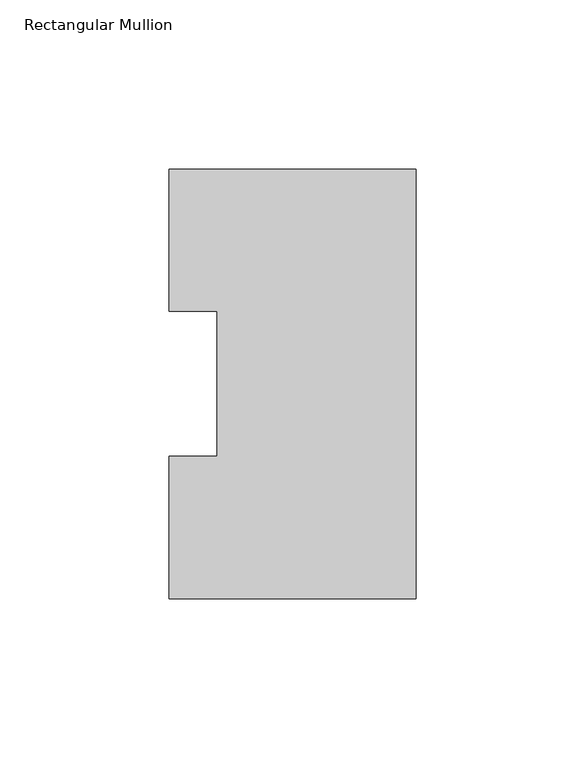
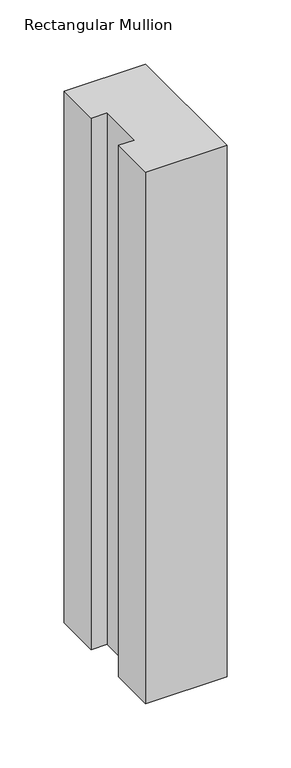
"""IFC4 building model written with IfcOpenShell, lengths in millimetres: member geometry, Rectangular Mullion."""

from ifc_helpers import new_model, si_unit, frame, origin, place, context, project, spatial, polyline, outline, extrude, source, transform, mapped, element, save


def rectangular_mullion_830382a6(model_context):
    return source(origin(), model_context, "Body", "SweptSolid", [
        extrude(outline(polyline([(0.0, 127.006348), (0.0, 0.0063465), (-73.025, 0.0063465), (-73.025, 42.0814491), (-58.7375, 42.0814491), (-58.7375, 84.93125), (-73.025, 84.93125), (-73.025, 127.006348), (0.0, 127.006348)])), frame((0.0, 0.0, -504.825), z_axis=(0.0, 0.0, 1.0), x_axis=(1.0, 0.0, 0.0)), (0.0, 0.0, 1.0), 504.825),
    ])


if __name__ == "__main__":
    model = new_model("IFC4")
    model_context = context("Model", 3, world=origin())
    ifc_project = project(units=[si_unit("LENGTHUNIT", "METRE", prefix="MILLI")], contexts=[model_context])
    site = spatial("IfcSite", under=ifc_project)
    building = spatial("IfcBuilding", under=site)
    placement = place(None, origin())
    rectangular_mullion_shape = rectangular_mullion_830382a6(model_context)
    element("IfcMember", 1, ObjectType="Rectangular Mullion", at=placement, inside=building, context=model_context, shape_type="MappedRepresentation", body=[
        mapped(rectangular_mullion_shape, transform((0.0, 0.0, 0.0), x_axis=(1.0, 0.0, 0.0), y_axis=(0.0, 1.0, 0.0), z_axis=(0.0, 0.0, 1.0))),
    ])
    save(model, "model.ifc")
